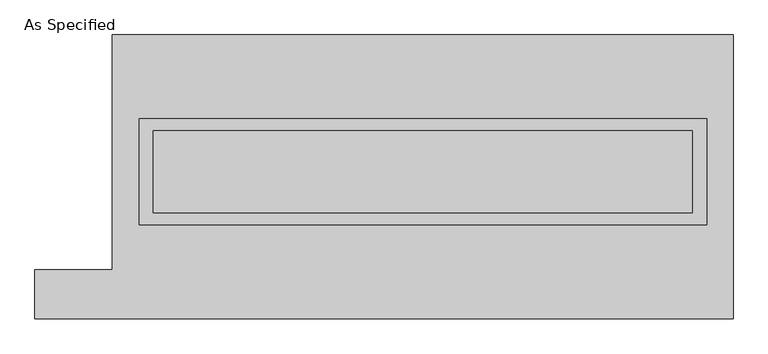
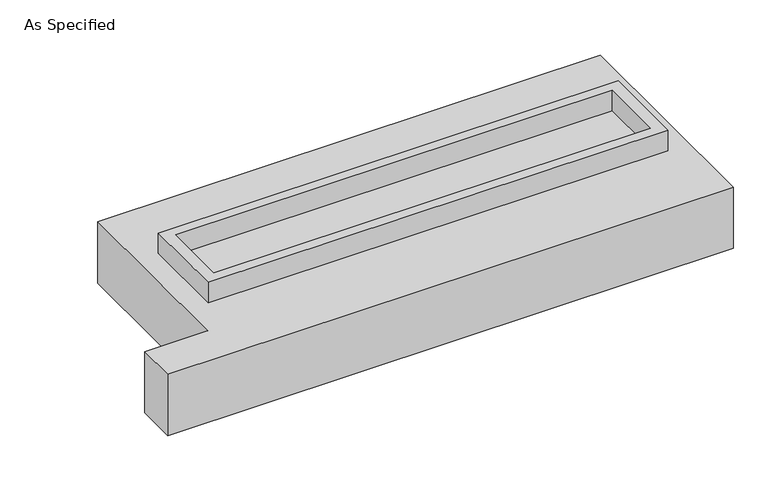
"""IFC4 building model written with IfcOpenShell, lengths in millimetres: proxy geometry, As Specified."""

import ifcopenshell
import ifcopenshell.guid

model = None  # the IFC model being written
_history = None  # IfcOwnerHistory: only IFC2X3 demands one
_inside = {}  # id of a spatial element -> (the spatial element, [elements in it])
_under = {}  # id of a project, library or spatial element -> (it, [spatial elements below it])
_declared = {}  # id of a project -> (the project, [libraries it declares])
_typed = {}  # id of a type object -> (the type object, [elements of that type])
_made_of = {}  # id of a material, layer set ... -> (it, [elements and type objects made of it])


def new_model(schema):
    """Start an empty IFC model of exactly this schema.

    Asked for "IFC4X3", IfcOpenShell would pick the latest addendum, in which some entities
    have other attributes; the version numbers below select the first issue.
    IFC2X3 requires an IfcOwnerHistory on every rooted entity: one is made here for all.
    """
    global model, _history
    if schema == "IFC4X3":
        model = ifcopenshell.file(schema_version=(4, 3, 0, 0))
    else:
        model = ifcopenshell.file(schema=schema)
    _inside.clear()
    _under.clear()
    _declared.clear()
    _typed.clear()
    _made_of.clear()
    _history = None
    if model.schema == "IFC2X3":
        org = make("IfcOrganization", Name="unknown")
        user = make(
            "IfcPersonAndOrganization",
            ThePerson=make("IfcPerson", FamilyName="unknown"),
            TheOrganization=org,
        )
        app = make(
            "IfcApplication",
            ApplicationDeveloper=org,
            Version="unknown",
            ApplicationFullName="unknown",
            ApplicationIdentifier="unknown",
        )
        _history = make(
            "IfcOwnerHistory",
            OwningUser=user,
            OwningApplication=app,
            ChangeAction="ADDED",
            CreationDate=0,
        )
    return model


def make(cls, **values):
    """One entity of the class cls with the attributes given. An attribute that is None is left unset."""
    return model.create_entity(
        cls, **{name: value for name, value in values.items() if value is not None}
    )


def rooted(cls, **values):
    """An entity with a GlobalId (a new one), such as an element, a storey or a relation."""
    return make(cls, GlobalId=ifcopenshell.guid.new(), OwnerHistory=_history, **values)


def si_unit(unit_type, name, prefix=None):
    """IfcSIUnit, for example si_unit("LENGTHUNIT", "METRE", prefix="MILLI")."""
    return make("IfcSIUnit", UnitType=unit_type, Prefix=prefix, Name=name)


def assignment(units):
    """IfcUnitAssignment: the units of a project."""
    return None if units is None else make("IfcUnitAssignment", Units=units)


def point(xyz):
    """IfcCartesianPoint."""
    return None if xyz is None else make("IfcCartesianPoint", Coordinates=xyz)


def direction(xyz):
    """IfcDirection."""
    return None if xyz is None else make("IfcDirection", DirectionRatios=xyz)


def frame(location, z_axis=None, x_axis=None):
    """IfcAxis2Placement3D, a coordinate frame: its origin and axes. An axis left out is left unset."""
    return make(
        "IfcAxis2Placement3D",
        Location=point(location),
        Axis=direction(z_axis),
        RefDirection=direction(x_axis),
    )


def origin():
    """The frame at (0, 0, 0) with its axes left unset."""
    return frame((0.0, 0.0, 0.0))


def place(relative_to, where):
    """IfcLocalPlacement: puts the frame where relative to a parent placement (None: the world)."""
    return make(
        "IfcLocalPlacement", PlacementRelTo=relative_to, RelativePlacement=where
    )


def context(
    kind, dimensions, precision=None, world=None, true_north=None, identifier=None
):
    """IfcGeometricRepresentationContext, for example the 3D "Model" context."""
    return make(
        "IfcGeometricRepresentationContext",
        ContextIdentifier=identifier,
        ContextType=kind,
        CoordinateSpaceDimension=dimensions,
        Precision=precision,
        WorldCoordinateSystem=world,
        TrueNorth=true_north,
    )


def project(units=None, contexts=None):
    """IfcProject with its units and contexts."""
    return rooted(
        "IfcProject",
        Name="project",
        RepresentationContexts=contexts,
        UnitsInContext=assignment(units),
    )


def spatial(cls, under=None, at=None, **own):
    """A site, building, storey or space (cls), placed at a placement, below another one or the project."""
    s = rooted(cls, ObjectPlacement=at, **own)
    if under is not None:
        _under.setdefault(under.id(), (under, []))[1].append(s)
    return s


def polyline(points):
    """IfcPolyline through the points."""
    return make("IfcPolyline", Points=[point(p) for p in points])


def outline(outer, holes=None, kind="AREA"):
    """IfcArbitraryClosedProfileDef: a profile drawn as a closed curve; with holes, ...WithVoids."""
    if holes is None:
        return make("IfcArbitraryClosedProfileDef", ProfileType=kind, OuterCurve=outer)
    return make(
        "IfcArbitraryProfileDefWithVoids",
        ProfileType=kind,
        OuterCurve=outer,
        InnerCurves=holes,
    )


def extrude(swept, where, along, depth):
    """IfcExtrudedAreaSolid: the profile swept, set in the frame where, extruded along a direction by depth."""
    return make(
        "IfcExtrudedAreaSolid",
        SweptArea=swept,
        Position=where,
        ExtrudedDirection=direction(along),
        Depth=depth,
    )


def shape(context_of_items, identifier, shape_type, items):
    """IfcShapeRepresentation: the items that make up one representation, for example the "Body"."""
    return make(
        "IfcShapeRepresentation",
        ContextOfItems=context_of_items,
        RepresentationIdentifier=identifier,
        RepresentationType=shape_type,
        Items=items,
    )


def source(mapping_origin, context_of_items, identifier, shape_type, items):
    """IfcRepresentationMap: a shape defined once, which mapped items show again and again."""
    return make(
        "IfcRepresentationMap",
        MappingOrigin=mapping_origin,
        MappedRepresentation=shape(context_of_items, identifier, shape_type, items),
    )


def transform(
    local_origin,
    x_axis=None,
    y_axis=None,
    z_axis=None,
    scale=None,
    scale2=None,
    scale3=None,
    uniform=True,
):
    """IfcCartesianTransformationOperator3D, or its non-uniform kind. x_axis, y_axis, z_axis: its Axis1, 2, 3."""
    if uniform:
        return make(
            "IfcCartesianTransformationOperator3D",
            Axis1=direction(x_axis),
            Axis2=direction(y_axis),
            LocalOrigin=point(local_origin),
            Scale=scale,
            Axis3=direction(z_axis),
        )
    return make(
        "IfcCartesianTransformationOperator3DnonUniform",
        Axis1=direction(x_axis),
        Axis2=direction(y_axis),
        LocalOrigin=point(local_origin),
        Scale=scale,
        Axis3=direction(z_axis),
        Scale2=scale2,
        Scale3=scale3,
    )


def mapped(mapping_source, mapping_target):
    """IfcMappedItem: shows the shape of a source again, moved by a transform."""
    return make(
        "IfcMappedItem", MappingSource=mapping_source, MappingTarget=mapping_target
    )


def made_of(thing, what):
    """Note that an element or type object is made of a material, layer set ...; save() writes the relation."""
    if what is not None:
        _made_of.setdefault(what.id(), (what, []))[1].append(thing)
    return thing


def element(
    cls,
    number,
    at=None,
    inside=None,
    cuts=None,
    type_object=None,
    material=None,
    context=None,
    identifier="Body",
    shape_type=None,
    held_by="IfcProductDefinitionShape",
    body=None,
    shapes=None,
    **own,
):
    """One element of the class cls, such as IfcWall. Its Tag is "e" and its number.

    at: its placement. inside: the storey or other place that contains it. cuts: it is an
    opening in that element (IfcRelVoidsElement). A single representation is given by context,
    identifier, shape_type and body (its items); several are given by shapes. held_by: the class
    of the entity that holds the representations. save() writes the other relations.
    """
    e = rooted(cls, Tag="e%d" % number, ObjectPlacement=at, **own)
    if body is not None:
        shapes = [shape(context, identifier, shape_type, body)]
    if shapes is not None:
        e.Representation = make(held_by, Representations=shapes)
    if inside is not None:
        _inside.setdefault(inside.id(), (inside, []))[1].append(e)
    if cuts is not None:
        rooted(
            "IfcRelVoidsElement", RelatingBuildingElement=cuts, RelatedOpeningElement=e
        )
    if type_object is not None:
        _typed.setdefault(type_object.id(), (type_object, []))[1].append(e)
    return made_of(e, material)


def aggregate(whole, parts):
    """IfcRelAggregates: a whole, such as a stair, and the parts it consists of."""
    return rooted("IfcRelAggregates", RelatingObject=whole, RelatedObjects=parts)


def save(model, path):
    """Write the relations noted so far, then the file.

    IfcRelAggregates (storeys below a building ...), IfcRelContainedInSpatialStructure (elements
    in a storey), IfcRelDefinesByType, IfcRelAssociatesMaterial and IfcRelDeclares: one each for
    every whole, place, type object, material and project.
    """
    for whole, parts in _under.values():
        aggregate(whole, parts)
    for where, things in _inside.values():
        rooted(
            "IfcRelContainedInSpatialStructure",
            RelatedElements=things,
            RelatingStructure=where,
        )
    for kind, things in _typed.values():
        rooted("IfcRelDefinesByType", RelatedObjects=things, RelatingType=kind)
    for what, things in _made_of.values():
        rooted("IfcRelAssociatesMaterial", RelatedObjects=things, RelatingMaterial=what)
    for by, libraries in _declared.values():
        rooted("IfcRelDeclares", RelatingContext=by, RelatedDefinitions=libraries)
    model.write(path)


def as_specified_735ece97(model_context):
    return source(origin(), model_context, "Body", "SweptSolid", [
        extrude(outline(polyline([(1765.3, 361.95), (1765.3, -298.45), (-1765.3, -298.45), (-1765.3, 361.95), (1765.3, 361.95)]), holes=[polyline([(1676.4, 285.75), (-1676.4, 285.75), (-1676.4, -222.25), (1676.4, -222.25), (1676.4, 285.75)])]), frame((0.0, 0.0, -688.975), z_axis=(0.0, 0.0, 1.0), x_axis=(1.0, 0.0, 0.0)), (0.0, 0.0, 1.0), 165.1),
        extrude(outline(polyline([(1765.3, 361.95), (1765.3, -298.45), (-1765.3, -298.45), (-1765.3, 361.95), (1765.3, 361.95)]), holes=[polyline([(1676.4, 285.75), (-1676.4, 285.75), (-1676.4, -222.25), (1676.4, -222.25), (1676.4, 285.75)])]), frame((0.0, 0.0, -25.4), z_axis=(0.0, 0.0, 1.0), x_axis=(1.0, 0.0, 0.0)), (0.0, 0.0, 1.0), 165.1),
        extrude(outline(polyline([(1676.4, 285.75), (1676.4, -222.25), (-1676.4, -222.25), (-1676.4, 285.75), (1676.4, 285.75)])), frame((0.0, 0.0, -523.875), z_axis=(0.0, 0.0, 1.0), x_axis=(1.0, 0.0, 0.0)), (0.0, 0.0, 1.0), 4.9609375),
        extrude(outline(polyline([(1676.4, 285.75), (1676.4, -222.25), (-1676.4, -222.25), (-1676.4, 285.75), (1676.4, 285.75)])), frame((0.0, 0.0, -30.3609375), z_axis=(0.0, 0.0, 1.0), x_axis=(1.0, 0.0, 0.0)), (0.0, 0.0, 1.0), 4.9609375),
        extrude(outline(polyline([(-1930.4, 882.65), (1930.4, 882.65), (1930.4, -882.65), (-2413.0, -882.65), (-2413.0, -577.85), (-1930.4, -577.85), (-1930.4, 882.65)]), holes=[polyline([(-1765.3, 361.95), (-1765.3, -298.45), (1765.3, -298.45), (1765.3, 361.95), (-1765.3, 361.95)])]), frame((0.0, 0.0, -523.875), z_axis=(0.0, 0.0, 1.0), x_axis=(1.0, 0.0, 0.0)), (0.0, 0.0, 1.0), 498.475),
    ])


if __name__ == "__main__":
    model = new_model("IFC4")
    model_context = context("Model", 3, world=origin())
    ifc_project = project(units=[si_unit("LENGTHUNIT", "METRE", prefix="MILLI")], contexts=[model_context])
    site = spatial("IfcSite", under=ifc_project)
    building = spatial("IfcBuilding", under=site)
    placement = place(None, origin())
    as_specified_shape = as_specified_735ece97(model_context)
    element("IfcBuildingElementProxy", 1, Name="As Specified", ObjectType="As Specified", at=placement, inside=building, context=model_context, shape_type="MappedRepresentation", body=[
        mapped(as_specified_shape, transform((0.0, 0.0, 0.0), x_axis=(1.0, 0.0, 0.0), y_axis=(0.0, 1.0, 0.0), z_axis=(0.0, 0.0, 1.0))),
    ])
    save(model, "model.ifc")
